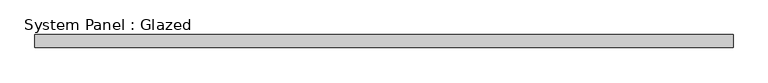
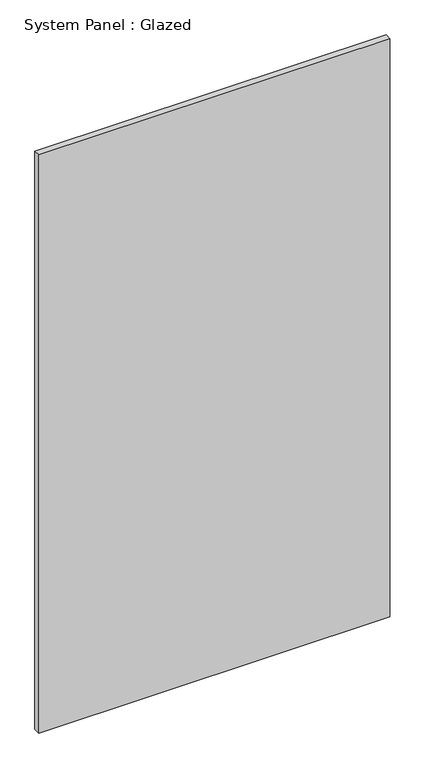
"""IFC4 building model written with IfcOpenShell, lengths in millimetres: plate geometry, System Panel : Glazed."""

from ifc_helpers import new_model, si_unit, origin, origin_with_axes, place, context, project, spatial, polyline, outline, extrude, source, transform, mapped, element, save


def system_panel_glazed_36ba470c(model_context):
    return source(origin(), model_context, "Body", "SweptSolid", [
        extrude(outline(polyline([(667.8571429, 24.5), (-667.8571429, 24.5), (-667.8571429, 49.5), (667.8571429, 49.5), (667.8571429, 24.5)])), origin_with_axes(), (0.0, 0.0, 1.0), 2325.0),
    ])


if __name__ == "__main__":
    model = new_model("IFC4")
    model_context = context("Model", 3, world=origin())
    ifc_project = project(units=[si_unit("LENGTHUNIT", "METRE", prefix="MILLI")], contexts=[model_context])
    site = spatial("IfcSite", under=ifc_project)
    building = spatial("IfcBuilding", under=site)
    placement = place(None, origin())
    system_panel_glazed_shape = system_panel_glazed_36ba470c(model_context)
    element("IfcPlate", 1, ObjectType="System Panel : Glazed", at=placement, inside=building, context=model_context, shape_type="MappedRepresentation", body=[
        mapped(system_panel_glazed_shape, transform((0.0, 0.0, 0.0), x_axis=(1.0, 0.0, 0.0), y_axis=(0.0, 1.0, 0.0), z_axis=(0.0, 0.0, 1.0))),
    ])
    save(model, "model.ifc")
